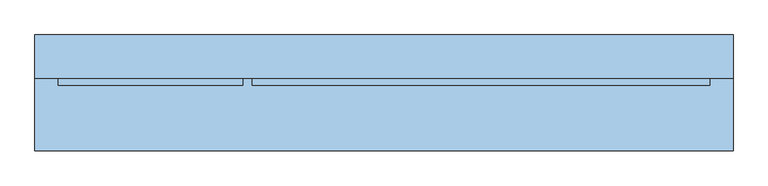
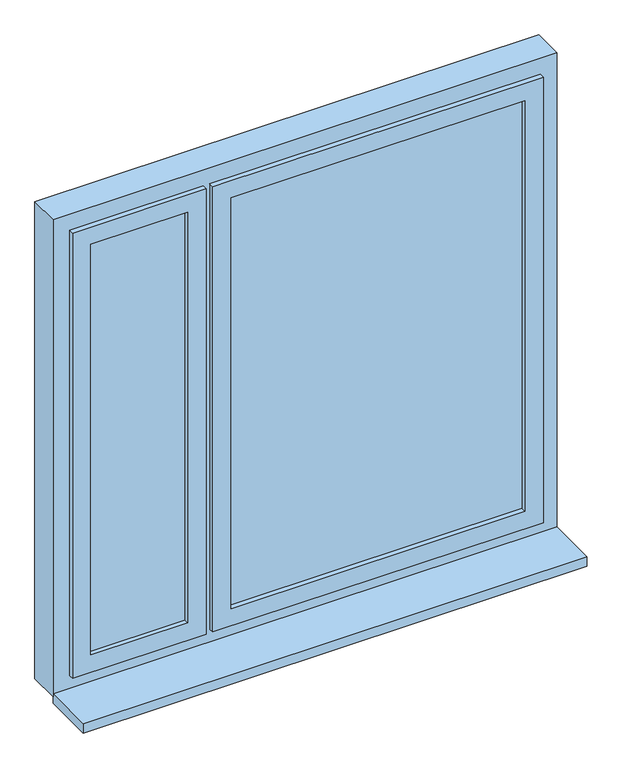
"""IFC4 building model written with IfcOpenShell, lengths in millimetres: window geometry."""

from ifc_helpers import new_model, si_unit, frame, origin, place, context, project, spatial, polyline, outline, extrude, faceted_brep, source, transform, mapped, element, save


def window_d63138ed(model_context):
    return source(origin(), model_context, "Body", "SolidModel", [
        extrude(outline(polyline([(-525.0, 6.0), (-525.0, 10.0), (-235.0, 10.0), (-235.0, 6.0), (-525.0, 6.0)])), frame((0.0, 0.0, 905.0), z_axis=(0.0, 0.0, 1.0), x_axis=(1.0, 0.0, 0.0)), (0.0, 0.0, 1.0), 1300.0),
        extrude(outline(polyline([(-235.0, 70.0), (-235.0, 66.0), (-525.0, 66.0), (-525.0, 70.0), (-235.0, 70.0)])), frame((0.0, 0.0, 905.0), z_axis=(0.0, 0.0, 1.0), x_axis=(1.0, 0.0, 0.0)), (0.0, 0.0, 1.0), 1300.0),
        faceted_brep([(-180.0, 6.0, 2260.0), (-180.0, 6.0, 850.0), (-580.0, 6.0, 850.0), (-580.0, 6.0, 2260.0), (-190.0, 6.0, 860.0), (-190.0, 6.0, 2250.0), (-570.0, 6.0, 2250.0), (-570.0, 6.0, 860.0), (-190.0, 37.0, 860.0), (-190.0, 37.0, 2250.0), (-570.0, 37.0, 860.0), (-570.0, 37.0, 2250.0), (-525.0, 37.0, 905.0), (-235.0, 37.0, 905.0), (-235.0, 37.0, 2205.0), (-525.0, 37.0, 2205.0), (-235.0, -9.0, 905.0), (-235.0, -9.0, 2205.0), (-580.0, -9.0, 850.0), (-180.0, -9.0, 850.0), (-180.0, -9.0, 2260.0), (-580.0, -9.0, 2260.0), (-525.0, -9.0, 905.0), (-525.0, -9.0, 2205.0)], [[[0, 1, 2, 3], [4, 5, 6, 7]], [[4, 8, 9, 5]], [[8, 10, 11, 9], [12, 13, 14, 15]], [[13, 16, 17, 14]], [[18, 19, 20, 21], [16, 22, 23, 17]], [[0, 20, 19, 1]], [[5, 9, 11, 6]], [[14, 17, 23, 15]], [[3, 21, 20, 0]], [[6, 11, 10, 7]], [[15, 23, 22, 12]], [[2, 18, 21, 3]], [[8, 4, 7, 10]], [[16, 13, 12, 22]], [[1, 19, 18, 2]]]),
        faceted_brep([(-190.0, 39.0, 2250.0), (-190.0, 39.0, 860.0), (-190.0, 52.0, 860.0), (-190.0, 52.0, 875.0), (-190.0, 85.0, 875.0), (-190.0, 85.0, 2250.0), (-235.0, 85.0, 905.0), (-235.0, 39.0, 905.0), (-235.0, 39.0, 2205.0), (-235.0, 85.0, 2205.0), (-570.0, 39.0, 860.0), (-570.0, 39.0, 2250.0), (-525.0, 39.0, 905.0), (-525.0, 39.0, 2205.0), (-570.0, 85.0, 875.0), (-570.0, 85.0, 2250.0), (-525.0, 85.0, 2205.0), (-525.0, 85.0, 905.0), (-570.0, 52.0, 875.0), (-570.0, 52.0, 860.0)], [[[0, 1, 2, 3, 4, 5]], [[6, 7, 8, 9]], [[10, 1, 0, 11], [7, 12, 13, 8]], [[4, 14, 15, 5], [9, 16, 17, 6]], [[8, 13, 16, 9]], [[0, 5, 15, 11]], [[10, 11, 15, 14, 18, 19]], [[12, 17, 16, 13]], [[7, 6, 17, 12]], [[10, 19, 2, 1]], [[19, 18, 3, 2]], [[4, 3, 18, 14]]]),
        extrude(outline(polyline([(-105.0, 6.0), (-105.0, 10.0), (775.0, 10.0), (775.0, 6.0), (-105.0, 6.0)])), frame((0.0, 0.0, 905.0), z_axis=(0.0, 0.0, 1.0), x_axis=(1.0, 0.0, 0.0)), (0.0, 0.0, 1.0), 1300.0),
        extrude(outline(polyline([(775.0, 70.0), (775.0, 66.0), (-105.0, 66.0), (-105.0, 70.0), (775.0, 70.0)])), frame((0.0, 0.0, 905.0), z_axis=(0.0, 0.0, 1.0), x_axis=(1.0, 0.0, 0.0)), (0.0, 0.0, 1.0), 1300.0),
        faceted_brep([(830.0, 6.0, 2260.0), (830.0, 6.0, 850.0), (-160.0, 6.0, 850.0), (-160.0, 6.0, 2260.0), (820.0, 6.0, 860.0), (820.0, 6.0, 2250.0), (-150.0, 6.0, 2250.0), (-150.0, 6.0, 860.0), (820.0, 37.0, 860.0), (820.0, 37.0, 2250.0), (-150.0, 37.0, 860.0), (-150.0, 37.0, 2250.0), (-105.0, 37.0, 905.0), (775.0, 37.0, 905.0), (775.0, 37.0, 2205.0), (-105.0, 37.0, 2205.0), (775.0, -9.0, 905.0), (775.0, -9.0, 2205.0), (-160.0, -9.0, 850.0), (830.0, -9.0, 850.0), (830.0, -9.0, 2260.0), (-160.0, -9.0, 2260.0), (-105.0, -9.0, 905.0), (-105.0, -9.0, 2205.0)], [[[0, 1, 2, 3], [4, 5, 6, 7]], [[4, 8, 9, 5]], [[8, 10, 11, 9], [12, 13, 14, 15]], [[13, 16, 17, 14]], [[18, 19, 20, 21], [16, 22, 23, 17]], [[0, 20, 19, 1]], [[5, 9, 11, 6]], [[14, 17, 23, 15]], [[3, 21, 20, 0]], [[6, 11, 10, 7]], [[15, 23, 22, 12]], [[2, 18, 21, 3]], [[8, 4, 7, 10]], [[16, 13, 12, 22]], [[1, 19, 18, 2]]]),
        faceted_brep([(820.0, 39.0, 2250.0), (820.0, 39.0, 860.0), (820.0, 52.0, 860.0), (820.0, 52.0, 875.0), (820.0, 85.0, 875.0), (820.0, 85.0, 2250.0), (775.0, 85.0, 905.0), (775.0, 39.0, 905.0), (775.0, 39.0, 2205.0), (775.0, 85.0, 2205.0), (-150.0, 39.0, 860.0), (-150.0, 39.0, 2250.0), (-105.0, 39.0, 905.0), (-105.0, 39.0, 2205.0), (-150.0, 85.0, 875.0), (-150.0, 85.0, 2250.0), (-105.0, 85.0, 2205.0), (-105.0, 85.0, 905.0), (-150.0, 52.0, 875.0), (-150.0, 52.0, 860.0)], [[[0, 1, 2, 3, 4, 5]], [[6, 7, 8, 9]], [[10, 1, 0, 11], [7, 12, 13, 8]], [[4, 14, 15, 5], [9, 16, 17, 6]], [[8, 13, 16, 9]], [[0, 5, 15, 11]], [[10, 11, 15, 14, 18, 19]], [[12, 17, 16, 13]], [[7, 6, 17, 12]], [[10, 19, 2, 1]], [[19, 18, 3, 2]], [[4, 3, 18, 14]]]),
        faceted_brep([(-630.0, 100.0, 800.0), (880.0, 100.0, 800.0), (880.0, 6.0, 800.0), (-630.0, 6.0, 800.0), (880.0, 6.0, 2310.0), (-630.0, 6.0, 2310.0), (-570.0, 6.0, 2250.0), (-190.0, 6.0, 2250.0), (-190.0, 6.0, 860.0), (-570.0, 6.0, 860.0), (820.0, 6.0, 2250.0), (820.0, 6.0, 860.0), (-150.0, 6.0, 860.0), (-150.0, 6.0, 2250.0), (820.0, 85.0, 2250.0), (820.0, 85.0, 860.0), (820.0, 69.0, 860.0), (820.0, 69.0, 875.0), (820.0, 52.0, 875.0), (820.0, 52.0, 860.0), (-150.0, 85.0, 2250.0), (-150.0, 85.0, 860.0), (-135.0, 85.0, 860.0), (-135.0, 85.0, 2235.0), (805.0, 85.0, 2235.0), (805.0, 85.0, 860.0), (-570.0, 85.0, 2250.0), (-570.0, 85.0, 860.0), (-555.0, 85.0, 860.0), (-555.0, 85.0, 2235.0), (-205.0, 85.0, 2235.0), (-205.0, 85.0, 860.0), (-190.0, 85.0, 860.0), (-190.0, 85.0, 2250.0), (805.0, 100.0, 2235.0), (805.0, 100.0, 860.0), (-630.0, 100.0, 2310.0), (880.0, 100.0, 2310.0), (-555.0, 100.0, 860.0), (-205.0, 100.0, 860.0), (-205.0, 100.0, 2235.0), (-555.0, 100.0, 2235.0), (-135.0, 100.0, 2235.0), (-135.0, 100.0, 860.0), (-570.0, 52.0, 860.0), (-570.0, 52.0, 875.0), (-570.0, 69.0, 875.0), (-570.0, 69.0, 860.0), (-150.0, 52.0, 860.0), (-190.0, 52.0, 860.0), (-150.0, 52.0, 875.0), (-190.0, 52.0, 875.0), (-150.0, 69.0, 875.0), (-190.0, 69.0, 875.0), (-150.0, 69.0, 860.0), (-190.0, 69.0, 860.0)], [[[0, 1, 2, 3]], [[2, 4, 5, 3], [6, 7, 8, 9], [10, 11, 12, 13]], [[10, 14, 15, 16, 17, 18, 19, 11]], [[15, 14, 20, 21, 22, 23, 24, 25]], [[26, 27, 28, 29, 30, 31, 32, 33]], [[24, 34, 35, 25]], [[0, 36, 37, 1], [38, 39, 40, 41], [35, 34, 42, 43]], [[2, 1, 37, 4]], [[20, 14, 10, 13]], [[6, 26, 33, 7]], [[34, 24, 23, 42]], [[29, 41, 40, 30]], [[5, 4, 37, 36]], [[26, 6, 9, 44, 45, 46, 47, 27]], [[41, 29, 28, 38]], [[5, 36, 0, 3]], [[11, 19, 48, 12]], [[44, 9, 8, 49]], [[19, 18, 50, 48]], [[45, 44, 49, 51]], [[18, 17, 52, 50]], [[46, 45, 51, 53]], [[17, 16, 54, 52]], [[47, 46, 53, 55]], [[16, 15, 25, 35, 43, 22, 21, 54]], [[28, 27, 47, 55, 32, 31, 39, 38]], [[40, 39, 31, 30]], [[8, 7, 33, 32, 55, 53, 51, 49]], [[13, 12, 48, 50, 52, 54, 21, 20]], [[43, 42, 23, 22]]]),
        extrude(outline(polyline([(-630.0, -150.0), (-630.0, 6.0), (880.0, 6.0), (880.0, -150.0), (-630.0, -150.0)])), frame((0.0, 0.0, 780.0), z_axis=(0.0, 0.0, 1.0), x_axis=(1.0, 0.0, 0.0)), (0.0, 0.0, 1.0), 30.0),
    ])


if __name__ == "__main__":
    model = new_model("IFC4")
    model_context = context("Model", 3, world=origin())
    ifc_project = project(units=[si_unit("LENGTHUNIT", "METRE", prefix="MILLI")], contexts=[model_context])
    site = spatial("IfcSite", under=ifc_project)
    building = spatial("IfcBuilding", under=site)
    placement = place(None, origin())
    window_shape = window_d63138ed(model_context)
    element("IfcWindow", 1, at=placement, inside=building, context=model_context, shape_type="MappedRepresentation", body=[
        mapped(window_shape, transform((0.0, 0.0, 0.0), x_axis=(1.0, 0.0, 0.0), y_axis=(0.0, 1.0, 0.0), z_axis=(0.0, 0.0, 1.0))),
    ])
    save(model, "model.ifc")
